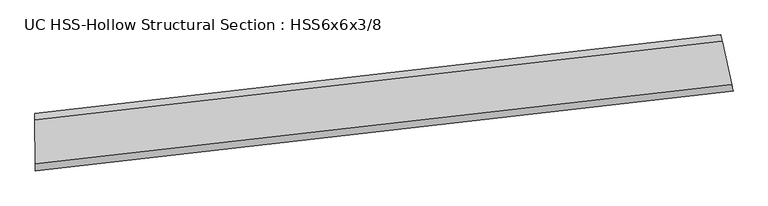
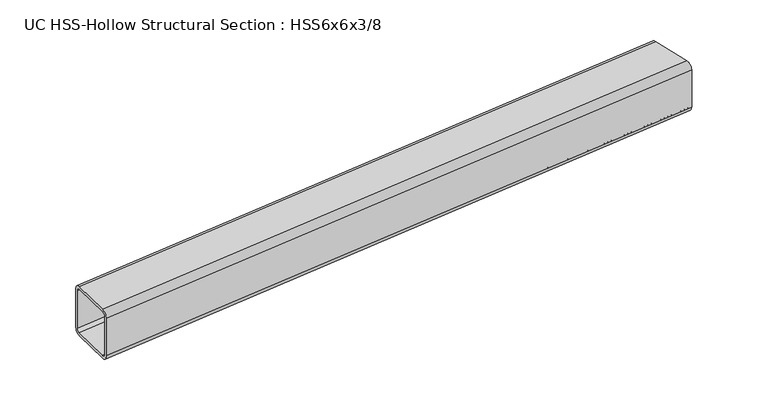
"""IFC4 building model written with IfcOpenShell, lengths in millimetres: beam geometry, UC HSS-Hollow Structural Section : HSS6x6x3/8."""

import ifcopenshell
import ifcopenshell.guid

model = None  # the IFC model being written
_history = None  # IfcOwnerHistory: only IFC2X3 demands one
_inside = {}  # id of a spatial element -> (the spatial element, [elements in it])
_under = {}  # id of a project, library or spatial element -> (it, [spatial elements below it])
_declared = {}  # id of a project -> (the project, [libraries it declares])
_typed = {}  # id of a type object -> (the type object, [elements of that type])
_made_of = {}  # id of a material, layer set ... -> (it, [elements and type objects made of it])


def new_model(schema):
    """Start an empty IFC model of exactly this schema.

    Asked for "IFC4X3", IfcOpenShell would pick the latest addendum, in which some entities
    have other attributes; the version numbers below select the first issue.
    IFC2X3 requires an IfcOwnerHistory on every rooted entity: one is made here for all.
    """
    global model, _history
    if schema == "IFC4X3":
        model = ifcopenshell.file(schema_version=(4, 3, 0, 0))
    else:
        model = ifcopenshell.file(schema=schema)
    _inside.clear()
    _under.clear()
    _declared.clear()
    _typed.clear()
    _made_of.clear()
    _history = None
    if model.schema == "IFC2X3":
        org = make("IfcOrganization", Name="unknown")
        user = make(
            "IfcPersonAndOrganization",
            ThePerson=make("IfcPerson", FamilyName="unknown"),
            TheOrganization=org,
        )
        app = make(
            "IfcApplication",
            ApplicationDeveloper=org,
            Version="unknown",
            ApplicationFullName="unknown",
            ApplicationIdentifier="unknown",
        )
        _history = make(
            "IfcOwnerHistory",
            OwningUser=user,
            OwningApplication=app,
            ChangeAction="ADDED",
            CreationDate=0,
        )
    return model


def make(cls, **values):
    """One entity of the class cls with the attributes given. An attribute that is None is left unset."""
    return model.create_entity(
        cls, **{name: value for name, value in values.items() if value is not None}
    )


def rooted(cls, **values):
    """An entity with a GlobalId (a new one), such as an element, a storey or a relation."""
    return make(cls, GlobalId=ifcopenshell.guid.new(), OwnerHistory=_history, **values)


def si_unit(unit_type, name, prefix=None):
    """IfcSIUnit, for example si_unit("LENGTHUNIT", "METRE", prefix="MILLI")."""
    return make("IfcSIUnit", UnitType=unit_type, Prefix=prefix, Name=name)


def assignment(units):
    """IfcUnitAssignment: the units of a project."""
    return None if units is None else make("IfcUnitAssignment", Units=units)


def point(xyz):
    """IfcCartesianPoint."""
    return None if xyz is None else make("IfcCartesianPoint", Coordinates=xyz)


def direction(xyz):
    """IfcDirection."""
    return None if xyz is None else make("IfcDirection", DirectionRatios=xyz)


def frame(location, z_axis=None, x_axis=None):
    """IfcAxis2Placement3D, a coordinate frame: its origin and axes. An axis left out is left unset."""
    return make(
        "IfcAxis2Placement3D",
        Location=point(location),
        Axis=direction(z_axis),
        RefDirection=direction(x_axis),
    )


def origin():
    """The frame at (0, 0, 0) with its axes left unset."""
    return frame((0.0, 0.0, 0.0))


def place(relative_to, where):
    """IfcLocalPlacement: puts the frame where relative to a parent placement (None: the world)."""
    return make(
        "IfcLocalPlacement", PlacementRelTo=relative_to, RelativePlacement=where
    )


def context(
    kind, dimensions, precision=None, world=None, true_north=None, identifier=None
):
    """IfcGeometricRepresentationContext, for example the 3D "Model" context."""
    return make(
        "IfcGeometricRepresentationContext",
        ContextIdentifier=identifier,
        ContextType=kind,
        CoordinateSpaceDimension=dimensions,
        Precision=precision,
        WorldCoordinateSystem=world,
        TrueNorth=true_north,
    )


def project(units=None, contexts=None):
    """IfcProject with its units and contexts."""
    return rooted(
        "IfcProject",
        Name="project",
        RepresentationContexts=contexts,
        UnitsInContext=assignment(units),
    )


def spatial(cls, under=None, at=None, **own):
    """A site, building, storey or space (cls), placed at a placement, below another one or the project."""
    s = rooted(cls, ObjectPlacement=at, **own)
    if under is not None:
        _under.setdefault(under.id(), (under, []))[1].append(s)
    return s


def polyline(points):
    """IfcPolyline through the points."""
    return make("IfcPolyline", Points=[point(p) for p in points])


def circle_curve(where, radius):
    """IfcCircle in the frame where."""
    return make("IfcCircle", Position=where, Radius=radius)


def ellipse_curve(where, semi_axis1, semi_axis2):
    """IfcEllipse in the frame where."""
    return make(
        "IfcEllipse", Position=where, SemiAxis1=semi_axis1, SemiAxis2=semi_axis2
    )


def trimmed(basis, trim1, trim2, sense, master):
    """IfcTrimmedCurve: the piece of a basis curve between two trims."""
    return make(
        "IfcTrimmedCurve",
        BasisCurve=basis,
        Trim1=trim1,
        Trim2=trim2,
        SenseAgreement=sense,
        MasterRepresentation=master,
    )


def shape(context_of_items, identifier, shape_type, items):
    """IfcShapeRepresentation: the items that make up one representation, for example the "Body"."""
    return make(
        "IfcShapeRepresentation",
        ContextOfItems=context_of_items,
        RepresentationIdentifier=identifier,
        RepresentationType=shape_type,
        Items=items,
    )


def source(mapping_origin, context_of_items, identifier, shape_type, items):
    """IfcRepresentationMap: a shape defined once, which mapped items show again and again."""
    return make(
        "IfcRepresentationMap",
        MappingOrigin=mapping_origin,
        MappedRepresentation=shape(context_of_items, identifier, shape_type, items),
    )


def transform(
    local_origin,
    x_axis=None,
    y_axis=None,
    z_axis=None,
    scale=None,
    scale2=None,
    scale3=None,
    uniform=True,
):
    """IfcCartesianTransformationOperator3D, or its non-uniform kind. x_axis, y_axis, z_axis: its Axis1, 2, 3."""
    if uniform:
        return make(
            "IfcCartesianTransformationOperator3D",
            Axis1=direction(x_axis),
            Axis2=direction(y_axis),
            LocalOrigin=point(local_origin),
            Scale=scale,
            Axis3=direction(z_axis),
        )
    return make(
        "IfcCartesianTransformationOperator3DnonUniform",
        Axis1=direction(x_axis),
        Axis2=direction(y_axis),
        LocalOrigin=point(local_origin),
        Scale=scale,
        Axis3=direction(z_axis),
        Scale2=scale2,
        Scale3=scale3,
    )


def mapped(mapping_source, mapping_target):
    """IfcMappedItem: shows the shape of a source again, moved by a transform."""
    return make(
        "IfcMappedItem", MappingSource=mapping_source, MappingTarget=mapping_target
    )


def made_of(thing, what):
    """Note that an element or type object is made of a material, layer set ...; save() writes the relation."""
    if what is not None:
        _made_of.setdefault(what.id(), (what, []))[1].append(thing)
    return thing


def element(
    cls,
    number,
    at=None,
    inside=None,
    cuts=None,
    type_object=None,
    material=None,
    context=None,
    identifier="Body",
    shape_type=None,
    held_by="IfcProductDefinitionShape",
    body=None,
    shapes=None,
    **own,
):
    """One element of the class cls, such as IfcWall. Its Tag is "e" and its number.

    at: its placement. inside: the storey or other place that contains it. cuts: it is an
    opening in that element (IfcRelVoidsElement). A single representation is given by context,
    identifier, shape_type and body (its items); several are given by shapes. held_by: the class
    of the entity that holds the representations. save() writes the other relations.
    """
    e = rooted(cls, Tag="e%d" % number, ObjectPlacement=at, **own)
    if body is not None:
        shapes = [shape(context, identifier, shape_type, body)]
    if shapes is not None:
        e.Representation = make(held_by, Representations=shapes)
    if inside is not None:
        _inside.setdefault(inside.id(), (inside, []))[1].append(e)
    if cuts is not None:
        rooted(
            "IfcRelVoidsElement", RelatingBuildingElement=cuts, RelatedOpeningElement=e
        )
    if type_object is not None:
        _typed.setdefault(type_object.id(), (type_object, []))[1].append(e)
    return made_of(e, material)


def aggregate(whole, parts):
    """IfcRelAggregates: a whole, such as a stair, and the parts it consists of."""
    return rooted("IfcRelAggregates", RelatingObject=whole, RelatedObjects=parts)


def save(model, path):
    """Write the relations noted so far, then the file.

    IfcRelAggregates (storeys below a building ...), IfcRelContainedInSpatialStructure (elements
    in a storey), IfcRelDefinesByType, IfcRelAssociatesMaterial and IfcRelDeclares: one each for
    every whole, place, type object, material and project.
    """
    for whole, parts in _under.values():
        aggregate(whole, parts)
    for where, things in _inside.values():
        rooted(
            "IfcRelContainedInSpatialStructure",
            RelatedElements=things,
            RelatingStructure=where,
        )
    for kind, things in _typed.values():
        rooted("IfcRelDefinesByType", RelatedObjects=things, RelatingType=kind)
    for what, things in _made_of.values():
        rooted("IfcRelAssociatesMaterial", RelatedObjects=things, RelatingMaterial=what)
    for by, libraries in _declared.values():
        rooted("IfcRelDeclares", RelatingContext=by, RelatedDefinitions=libraries)
    model.write(path)


def plane_surface(at):
    """IfcPlane: the flat surface through the origin of the frame at, square to its z axis."""
    return make("IfcPlane", Position=at)


def cylinder_surface(at, radius):
    """IfcCylindricalSurface: all points at the distance radius from the z axis of the frame at."""
    return make("IfcCylindricalSurface", Position=at, Radius=radius)


def revolved_surface(curve, axis_point, axis_direction):
    """IfcSurfaceOfRevolution: the curve turned about the line through axis_point along axis_direction."""
    return make(
        "IfcSurfaceOfRevolution",
        SweptCurve=make("IfcArbitraryOpenProfileDef", ProfileType="CURVE", Curve=curve),
        AxisPosition=make("IfcAxis1Placement", Location=point(axis_point), Axis=direction(axis_direction)),
    )


def advanced_brep(points, edges, surfaces, faces):
    """IfcAdvancedBrep: a solid bounded by faces that lie on surfaces and meet in shared edges.

    An edge is (start, end): straight between two places in points (the first is 0);
    or (start, end, curve); or (start, end, curve, False) where it runs against its curve.
    A face is (place in surfaces, loops), or (place, loops, False) where it looks against
    its surface's normal. A loop lists edges by number (the first is 1), with a minus sign
    where the edge is run from its end to its start. The first loop is the outer one.
    """
    corners = [point(p) for p in points]
    vertices = [make("IfcVertexPoint", VertexGeometry=c) for c in corners]
    made = []
    for start, end, *more in edges:
        made.append(
            make(
                "IfcEdgeCurve",
                EdgeStart=vertices[start],
                EdgeEnd=vertices[end],
                EdgeGeometry=more[0] if more else make("IfcPolyline", Points=[corners[start], corners[end]]),
                SameSense=more[1] if len(more) > 1 else True,
            )
        )
    hull = []
    for where, loops, *sense in faces:
        bounds = []
        for j, loop in enumerate(loops):
            ring = [make("IfcOrientedEdge", EdgeElement=made[abs(k) - 1], Orientation=k > 0) for k in loop]
            bounds.append(
                make(
                    "IfcFaceOuterBound" if j == 0 else "IfcFaceBound",
                    Bound=make("IfcEdgeLoop", EdgeList=ring),
                    Orientation=True,
                )
            )
        hull.append(make("IfcAdvancedFace", Bounds=bounds, FaceSurface=surfaces[where], SameSense=sense[0] if sense else True))
    return make("IfcAdvancedBrep", Outer=make("IfcClosedShell", CfsFaces=hull))


def uc_hss_hollow_structural_section_hss6x6x3_8_79367919(model_context):
    return source(origin(), model_context, "Body", "AdvancedBrep", [
        advanced_brep(
        [(1939.1861572, 136.2264813, 58.4708), (1939.1861572, 136.2264813, -58.4708), (1935.3479554, 153.5352287, -76.2), (1910.0312199, 267.7035287, -76.2), (1906.1930181, 285.0122762, -58.4708), (1906.1930181, 285.0122762, 58.4708), (1910.0312199, 267.7035287, 76.2), (1935.3479554, 153.5352287, 76.2), (1910.0312199, 267.7035287, 67.3354), (1908.112119, 276.3579025, 58.4708), (1908.112119, 276.3579025, -58.4708), (1910.0312199, 267.7035287, -67.3354), (1935.3479554, 153.5352287, -67.3354), (1937.2670563, 144.880855, -58.4708), (1937.2670563, 144.880855, 58.4708), (1935.3479554, 153.5352287, 67.3354), (92.0580667, -75.7269312, 58.4708), (91.8758575, -57.9986675, 76.2), (90.6740081, 58.9367564, 76.2), (90.491799, 76.6650201, 58.4708), (90.491799, 76.6650201, -58.4708), (90.6740081, 58.9367564, -76.2), (91.8758575, -57.9986675, -76.2), (92.0580667, -75.7269312, -58.4708), (90.6740081, 58.9367564, 67.3354), (91.8758575, -57.9986675, 67.3354), (91.9669621, -66.8627993, 58.4708), (91.9669621, -66.8627993, -58.4708), (91.8758575, -57.9986675, -67.3354), (90.6740081, 58.9367564, -67.3354), (90.5829036, 67.8008883, -58.4708), (90.5829036, 67.8008883, 58.4708)],
        [
            (0, 1),
            (1, 2, circle_curve(frame((1935.3479554, 153.5352287, -58.4708), z_axis=(0.97628474362088, 0.21649041404439295, 0.0), x_axis=(-0.21649041404439295, 0.97628474362088, 0.0)), 17.7292)),
            (2, 3),
            (3, 4, circle_curve(frame((1910.0312199, 267.7035287, -58.4708), z_axis=(0.97628474362088, 0.21649041404439295, 0.0), x_axis=(-0.21649041404439295, 0.97628474362088, 0.0)), 17.7292)),
            (4, 5),
            (5, 6, circle_curve(frame((1910.0312199, 267.7035287, 58.4708), z_axis=(0.97628474362088, 0.21649041404439295, 0.0), x_axis=(-0.21649041404439295, 0.97628474362088, 0.0)), 17.7292)),
            (6, 7),
            (7, 0, circle_curve(frame((1935.3479554, 153.5352287, 58.4708), z_axis=(0.97628474362088, 0.21649041404439295, 0.0), x_axis=(-0.21649041404439295, 0.97628474362088, 0.0)), 17.7292)),
            (8, 9, circle_curve(frame((1910.0312199, 267.7035287, 58.4708), z_axis=(-0.97628474362088, -0.21649041404439295, 0.0), x_axis=(-0.21649041404439295, 0.97628474362088, 0.0)), 8.8646)),
            (9, 10),
            (10, 11, circle_curve(frame((1910.0312199, 267.7035287, -58.4708), z_axis=(-0.97628474362088, -0.21649041404439295, 0.0), x_axis=(-0.21649041404439295, 0.97628474362088, 0.0)), 8.8646)),
            (11, 12),
            (12, 13, circle_curve(frame((1935.3479554, 153.5352287, -58.4708), z_axis=(-0.97628474362088, -0.21649041404439295, 0.0), x_axis=(-0.21649041404439295, 0.97628474362088, 0.0)), 8.8646)),
            (13, 14),
            (14, 15, circle_curve(frame((1935.3479554, 153.5352287, 58.4708), z_axis=(-0.97628474362088, -0.21649041404439295, 0.0), x_axis=(-0.21649041404439295, 0.97628474362088, 0.0)), 8.8646)),
            (15, 8),
            (16, 17, circle_curve(frame((91.8758575, -57.9986675, 58.4708), z_axis=(-0.9999471866750379, -0.010277346966846623, 0.0), x_axis=(-0.010277346966846623, 0.9999471866750379, 0.0)), 17.7292)),
            (17, 18),
            (18, 19, circle_curve(frame((90.6740081, 58.9367564, 58.4708), z_axis=(-0.9999471866750379, -0.010277346966846623, 0.0), x_axis=(-0.010277346966846623, 0.9999471866750379, 0.0)), 17.7292)),
            (19, 20),
            (20, 21, circle_curve(frame((90.6740081, 58.9367564, -58.4708), z_axis=(-0.9999471866750379, -0.010277346966846623, 0.0), x_axis=(-0.010277346966846623, 0.9999471866750379, 0.0)), 17.7292)),
            (21, 22),
            (22, 23, circle_curve(frame((91.8758575, -57.9986675, -58.4708), z_axis=(-0.9999471866750379, -0.010277346966846623, 0.0), x_axis=(-0.010277346966846623, 0.9999471866750379, 0.0)), 17.7292)),
            (23, 16),
            (24, 25),
            (25, 26, circle_curve(frame((91.8758575, -57.9986675, 58.4708), z_axis=(0.9999471866750379, 0.010277346966846623, 0.0), x_axis=(-0.010277346966846623, 0.9999471866750379, 0.0)), 8.8646)),
            (26, 27),
            (27, 28, circle_curve(frame((91.8758575, -57.9986675, -58.4708), z_axis=(0.9999471866750379, 0.010277346966846623, 0.0), x_axis=(-0.010277346966846623, 0.9999471866750379, 0.0)), 8.8646)),
            (28, 29),
            (29, 30, circle_curve(frame((90.6740081, 58.9367564, -58.4708), z_axis=(0.9999471866750379, 0.010277346966846623, 0.0), x_axis=(-0.010277346966846623, 0.9999471866750379, 0.0)), 8.8646)),
            (30, 31),
            (31, 24, circle_curve(frame((90.6740081, 58.9367564, 58.4708), z_axis=(0.9999471866750379, 0.010277346966846623, 0.0), x_axis=(-0.010277346966846623, 0.9999471866750379, 0.0)), 8.8646)),
            (7, 17, circle_curve(frame((0.0, 8881.176546, 76.2), z_axis=(0.0, 0.0, -1.0), x_axis=(-0.6913930968107146, 0.7224787787073679, 0.0)), 8939.647346)),
            (16, 0, circle_curve(frame((0.0, 8881.176546, 58.4708), z_axis=(0.0, 0.0, 1.0), x_axis=(-0.6913930968107146, 0.7224787787073679, 0.0)), 8957.376546)),
            (6, 18, circle_curve(frame((0.0, 8881.176546, 76.2), z_axis=(0.0, 0.0, -1.0), x_axis=(-0.6913930968107146, 0.7224787787073679, 0.0)), 8822.705746)),
            (5, 19, circle_curve(frame((0.0, 8881.176546, 58.4708), z_axis=(0.0, 0.0, -1.0), x_axis=(-0.6913930968107146, 0.7224787787073679, 0.0)), 8804.976546)),
            (4, 20, circle_curve(frame((0.0, 8881.176546, -58.4708), z_axis=(0.0, 0.0, -1.0), x_axis=(-0.6913930968107146, 0.7224787787073679, 0.0)), 8804.976546)),
            (3, 21, circle_curve(frame((0.0, 8881.176546, -76.2), z_axis=(0.0, 0.0, -1.0), x_axis=(-0.6913930968107146, 0.7224787787073679, 0.0)), 8822.705746)),
            (2, 22, circle_curve(frame((0.0, 8881.176546, -76.2), z_axis=(0.0, 0.0, -1.0), x_axis=(-0.6913930968107146, 0.7224787787073679, 0.0)), 8939.647346)),
            (1, 23, circle_curve(frame((0.0, 8881.176546, -58.4708), z_axis=(0.0, 0.0, -1.0), x_axis=(-0.6913930968107146, 0.7224787787073679, 0.0)), 8957.376546)),
            (15, 25, circle_curve(frame((0.0, 8881.176546, 67.3354), z_axis=(0.0, 0.0, -1.0), x_axis=(-0.6913930968107146, 0.7224787787073679, 0.0)), 8939.647346)),
            (24, 8, circle_curve(frame((0.0, 8881.176546, 67.3354), z_axis=(0.0, 0.0, 1.0), x_axis=(-0.6913930968107146, 0.7224787787073679, 0.0)), 8822.705746)),
            (14, 26, circle_curve(frame((0.0, 8881.176546, 58.4708), z_axis=(0.0, 0.0, -1.0), x_axis=(-0.6913930968107146, 0.7224787787073679, 0.0)), 8948.511946)),
            (13, 27, circle_curve(frame((0.0, 8881.176546, -58.4708), z_axis=(0.0, 0.0, -1.0), x_axis=(-0.6913930968107146, 0.7224787787073679, 0.0)), 8948.511946)),
            (12, 28, circle_curve(frame((0.0, 8881.176546, -67.3354), z_axis=(0.0, 0.0, -1.0), x_axis=(-0.6913930968107146, 0.7224787787073679, 0.0)), 8939.647346)),
            (11, 29, circle_curve(frame((0.0, 8881.176546, -67.3354), z_axis=(0.0, 0.0, -1.0), x_axis=(-0.6913930968107146, 0.7224787787073679, 0.0)), 8822.705746)),
            (10, 30, circle_curve(frame((0.0, 8881.176546, -58.4708), z_axis=(0.0, 0.0, -1.0), x_axis=(-0.6913930968107146, 0.7224787787073679, 0.0)), 8813.841146)),
            (9, 31, circle_curve(frame((0.0, 8881.176546, 58.4708), z_axis=(0.0, 0.0, -1.0), x_axis=(-0.6913930968107146, 0.7224787787073679, 0.0)), 8813.841146)),
        ],
        [
            plane_surface(frame((1922.6895876, 210.6193787, 0.0), z_axis=(0.9762847436208786, 0.21649041404439917, 0.0), x_axis=(0.0, 0.0, 1.0))),
            plane_surface(frame((91.2749328, 0.4690445, 0.0), z_axis=(-0.9999471866750379, -0.010277346966852952, 0.0), x_axis=(0.0, 0.0, 1.0))),
            revolved_surface(trimmed(ellipse_curve(frame((-6180.810463, 15339.8820427, 58.4708), z_axis=(-0.7224787787073723, -0.6913930968107099, 0.0), x_axis=(0.6913930968107099, -0.7224787787073723, 0.0)), 17.7292, 17.7292), [point((-6180.810463, 15339.8820427, 76.2))], [point((-6193.0683095, 15352.6910134, 58.4708))], True, "CARTESIAN"), (0.0, 8881.176546, 0.0), (0.0, 0.0, -1.0)),
            plane_surface(frame((0.0, 8881.176546, 76.2), z_axis=(0.0, 0.0, 1.0), x_axis=(-0.6913930968107146, 0.7224787787073679, 0.0))),
            revolved_surface(trimmed(ellipse_curve(frame((-6099.957848, 15255.3942183, 58.4708), z_axis=(-0.7224787787073723, -0.6913930968107099, 0.0), x_axis=(0.6913930968107099, -0.7224787787073723, 0.0)), 17.7292, 17.7292), [point((-6087.7000015, 15242.5852475, 58.4708))], [point((-6099.957848, 15255.3942183, 76.2))], True, "CARTESIAN"), (0.0, 8881.176546, 0.0), (0.0, 0.0, -1.0)),
            revolved_surface(polyline([(-6087.700001484649, 15242.585247501098, -58.4708), (-6087.700001484649, 15242.585247501098, 58.4708)]), (0.0, 8881.176546, 0.0), (0.0, 0.0, -1.0)),
            revolved_surface(trimmed(ellipse_curve(frame((-6099.957848, 15255.3942183, -58.4708), z_axis=(-0.7224787787073723, -0.6913930968107099, 0.0), x_axis=(0.6913930968107099, -0.7224787787073723, 0.0)), 17.7292, 17.7292), [point((-6099.957848, 15255.3942183, -76.2))], [point((-6087.7000015, 15242.5852475, -58.4708))], True, "CARTESIAN"), (0.0, 8881.176546, 0.0), (0.0, 0.0, -1.0)),
            plane_surface(frame((0.0, 8881.176546, -76.2), z_axis=(0.0, 0.0, -1.0), x_axis=(-0.6913930968107146, 0.7224787787073679, 0.0))),
            revolved_surface(trimmed(ellipse_curve(frame((-6180.810463, 15339.8820427, -58.4708), z_axis=(-0.7224787787073723, -0.6913930968107099, 0.0), x_axis=(0.6913930968107099, -0.7224787787073723, 0.0)), 17.7292, 17.7292), [point((-6193.0683095, 15352.6910134, -58.4708))], [point((-6180.810463, 15339.8820427, -76.2))], True, "CARTESIAN"), (0.0, 8881.176546, 0.0), (0.0, 0.0, -1.0)),
            cylinder_surface(frame((0.0, 8881.176546, 0.0), z_axis=(0.0, 0.0, -1.0), x_axis=(-0.6913930968107146, 0.7224787787073679, 0.0)), 8957.376546),
            plane_surface(frame((0.0, 8881.176546, 67.3354), z_axis=(0.0, 0.0, -1.0), x_axis=(-0.6913930968107146, 0.7224787787073679, 0.0))),
            revolved_surface(trimmed(ellipse_curve(frame((-6180.810463, 15339.8820427, 58.4708), z_axis=(0.7224787787073723, 0.6913930968107099, 0.0), x_axis=(0.6913930968107099, -0.7224787787073723, 0.0)), 8.8646, 8.8646), [point((-6186.9393862, 15346.286528, 58.4708))], [point((-6180.810463, 15339.8820427, 67.3354))], True, "CARTESIAN"), (0.0, 8881.176546, 0.0), (0.0, 0.0, -1.0)),
            revolved_surface(polyline([(-6186.939386192615, 15346.286527994373, -58.4708), (-6186.939386192615, 15346.286527994373, 58.4708)]), (0.0, 8881.176546, 0.0), (0.0, 0.0, -1.0)),
            revolved_surface(trimmed(ellipse_curve(frame((-6180.810463, 15339.8820427, -58.4708), z_axis=(0.7224787787073723, 0.6913930968107099, 0.0), x_axis=(0.6913930968107099, -0.7224787787073723, 0.0)), 8.8646, 8.8646), [point((-6180.810463, 15339.8820427, -67.3354))], [point((-6186.9393862, 15346.286528, -58.4708))], True, "CARTESIAN"), (0.0, 8881.176546, 0.0), (0.0, 0.0, -1.0)),
            plane_surface(frame((0.0, 8881.176546, -67.3354), z_axis=(0.0, 0.0, 1.0), x_axis=(-0.6913930968107146, 0.7224787787073679, 0.0))),
            revolved_surface(trimmed(ellipse_curve(frame((-6099.957848, 15255.3942183, -58.4708), z_axis=(0.7224787787073723, 0.6913930968107099, 0.0), x_axis=(0.6913930968107099, -0.7224787787073723, 0.0)), 8.8646, 8.8646), [point((-6093.8289247, 15248.9897329, -58.4708))], [point((-6099.957848, 15255.3942183, -67.3354))], True, "CARTESIAN"), (0.0, 8881.176546, 0.0), (0.0, 0.0, -1.0)),
            cylinder_surface(frame((0.0, 8881.176546, 0.0), z_axis=(0.0, 0.0, -1.0), x_axis=(-0.6913930968107146, 0.7224787787073679, 0.0)), 8813.841146),
            revolved_surface(trimmed(ellipse_curve(frame((-6099.957848, 15255.3942183, 58.4708), z_axis=(0.7224787787073723, 0.6913930968107099, 0.0), x_axis=(0.6913930968107099, -0.7224787787073723, 0.0)), 8.8646, 8.8646), [point((-6099.957848, 15255.3942183, 67.3354))], [point((-6093.8289247, 15248.9897329, 58.4708))], True, "CARTESIAN"), (0.0, 8881.176546, 0.0), (0.0, 0.0, -1.0)),
        ],
        [
            (0, [[1, 2, 3, 4, 5, 6, 7, 8], [9, 10, 11, 12, 13, 14, 15, 16]]),
            (1, [[17, 18, 19, 20, 21, 22, 23, 24], [25, 26, 27, 28, 29, 30, 31, 32]]),
            (2, [[33, -17, 34, -8]]),
            (3, [[35, -18, -33, -7]]),
            (4, [[36, -19, -35, -6]]),
            (5, [[37, -20, -36, -5]]),
            (6, [[38, -21, -37, -4]]),
            (7, [[39, -22, -38, -3]]),
            (8, [[40, -23, -39, -2]]),
            (9, [[-34, -24, -40, -1]]),
            (10, [[41, -25, 42, -16]]),
            (11, [[43, -26, -41, -15]]),
            (12, [[44, -27, -43, -14]]),
            (13, [[45, -28, -44, -13]]),
            (14, [[46, -29, -45, -12]]),
            (15, [[47, -30, -46, -11]]),
            (16, [[48, -31, -47, -10]]),
            (17, [[-42, -32, -48, -9]]),
        ],
    ),
    ])


if __name__ == "__main__":
    model = new_model("IFC4")
    model_context = context("Model", 3, world=origin())
    ifc_project = project(units=[si_unit("LENGTHUNIT", "METRE", prefix="MILLI")], contexts=[model_context])
    site = spatial("IfcSite", under=ifc_project)
    building = spatial("IfcBuilding", under=site)
    placement = place(None, origin())
    uc_hss_hollow_structural_section_hss6x6x3_8_shape = uc_hss_hollow_structural_section_hss6x6x3_8_79367919(model_context)
    element("IfcBeam", 1, ObjectType="UC HSS-Hollow Structural Section : HSS6x6x3/8", at=placement, inside=building, context=model_context, shape_type="MappedRepresentation", body=[
        mapped(uc_hss_hollow_structural_section_hss6x6x3_8_shape, transform((0.0, 0.0, 0.0), x_axis=(1.0, 0.0, 0.0), y_axis=(0.0, 1.0, 0.0), z_axis=(0.0, 0.0, 1.0))),
    ])
    save(model, "model.ifc")
